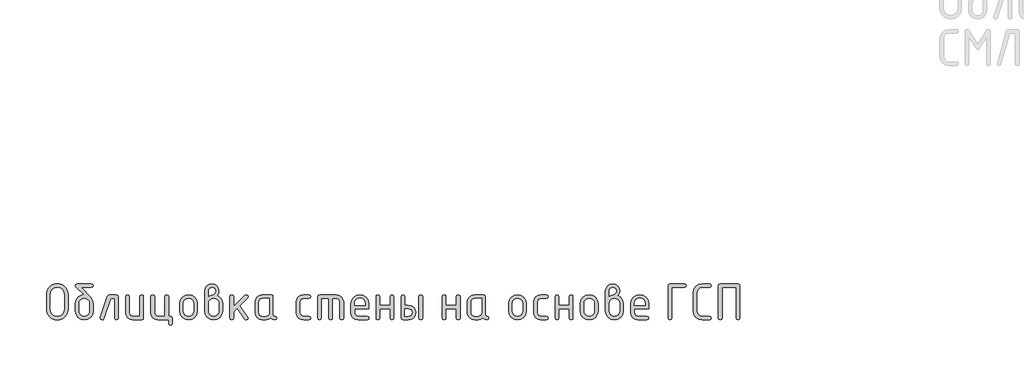
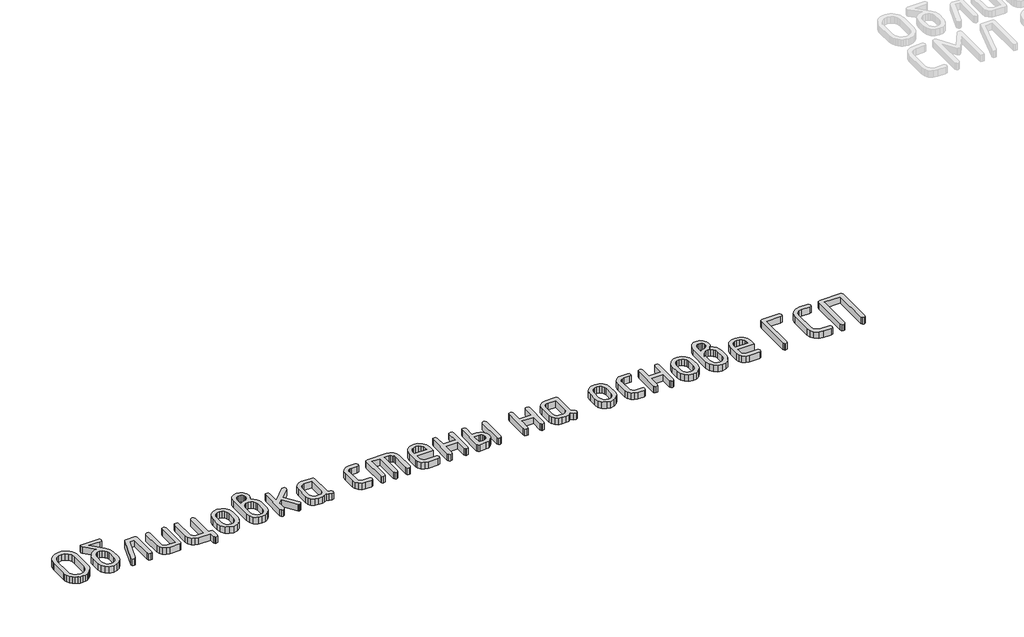
# One storey, part 22 of 33: 1 proxy.
"""IFC4 building model written with IfcOpenShell, lengths in millimetres."""

from ifc_helpers import new_model, si_unit, origin, origin_with_axes, place, context, project, spatial, polyline, outline, extrude, element, save

model = new_model("IFC4")

# Units and contexts
model_context = context("Model", 3, world=origin())
ifc_project = project(units=[si_unit("LENGTHUNIT", "METRE", prefix="MILLI")], contexts=[model_context])

# Site, building, storey
site = spatial("IfcSite", under=ifc_project)
building = spatial("IfcBuilding", under=site)
storey = spatial("IfcBuildingStorey", under=building, Elevation=0.0)

# Proxy
placement = place(None, origin())
element("IfcBuildingElementProxy", 1, Name="Generic Models", at=placement, inside=storey, context=model_context, shape_type="SweptSolid", body=[
    extrude(outline(polyline([(-7061.6905204, 2766.9131141), (-7063.3449162, 2748.6794526), (-7068.3081037, 2731.8278169), (-7076.5800829, 2716.358207), (-7088.1608538, 2702.2706229), (-7102.0819896, 2690.5486231), (-7117.3750633, 2682.1757661), (-7134.0400751, 2677.1520519), (-7152.0770249, 2675.4774805), (-7170.1139747, 2677.1520519), (-7186.7789865, 2682.1757661), (-7202.0720602, 2690.5486231), (-7215.993196, 2702.2706229), (-7227.5739669, 2716.358207), (-7235.8459461, 2731.8278169), (-7240.8091336, 2748.6794526), (-7242.4635294, 2766.9131141), (-7242.4635294, 2888.7734907), (-7240.8091336, 2907.0071522), (-7235.8459461, 2923.8587879), (-7227.5739669, 2939.3283978), (-7215.993196, 2953.4159819), (-7202.0720602, 2965.1379817), (-7186.7789865, 2973.5108387), (-7170.1139747, 2978.5345529), (-7152.0770249, 2980.2091243), (-7133.9417193, 2978.5421188), (-7117.2237466, 2973.5411021), (-7101.923107, 2965.2060742), (-7088.0398005, 2953.5370353), (-7076.5119904, 2939.4872803), (-7068.2778404, 2924.0101046), (-7063.3373504, 2907.1055081), (-7061.6905204, 2888.7734907), (-7061.6905204, 2766.9131141)]), holes=[polyline([(-7092.6801791, 2767.1552208), (-7092.6801791, 2888.531384), (-7096.9876609, 2912.0560859), (-7109.9101065, 2931.6263781), (-7129.0667998, 2944.8211938), (-7152.0770249, 2949.2194656), (-7175.08725, 2944.8211938), (-7194.2439433, 2931.6263781), (-7207.1663889, 2912.0560859), (-7211.4738707, 2888.531384), (-7211.4738707, 2767.1552208), (-7207.1663889, 2743.6305189), (-7194.2439433, 2724.0602266), (-7175.08725, 2710.865411), (-7152.0770249, 2706.4671392), (-7129.0667998, 2710.865411), (-7109.9101065, 2724.0602266), (-7096.9876609, 2743.6305189), (-7092.6801791, 2767.1552208)])]), origin_with_axes(), (0.0, 0.0, 1.0), 50.0),
    extrude(outline(polyline([(-6849.9278526, 2812.348473), (-6849.9278526, 2751.498987), (-6855.4055169, 2722.2746897), (-6871.8385097, 2697.7109465), (-6896.0390928, 2681.035847), (-6924.8195278, 2675.4774805), (-6953.5999628, 2681.0459348), (-6977.8005458, 2697.7512976), (-6994.2335387, 2722.3654797), (-6999.711203, 2751.6603914), (-6999.711203, 2812.5905798), (-6997.1186436, 2834.0220674), (-6989.3409656, 2852.3969578), (-6976.3781689, 2867.715251), (-6958.2302536, 2879.976947), (-6942.5134931, 2886.5743548), (-6927.966915, 2888.7734907), (-6994.5462598, 2955.7563468), (-6999.711203, 2964.714295), (-6995.9787245, 2976.335417), (-6984.7812893, 2980.2091243), (-6864.8577663, 2980.2091243), (-6853.660331, 2976.335417), (-6849.9278526, 2964.714295), (-6853.660331, 2953.093173), (-6864.8577663, 2949.2194656), (-6949.837221, 2949.2194656), (-6874.4613324, 2868.8400384), (-6856.0612225, 2841.5626825), (-6849.9278526, 2812.348473)]), holes=[polyline([(-6880.9175113, 2751.9832004), (-6880.9175113, 2812.5905798), (-6884.135513, 2830.0222628), (-6893.789518, 2844.7100698), (-6907.9830237, 2854.6969715), (-6924.8195278, 2858.0259387), (-6941.6560318, 2854.6969715), (-6955.8495376, 2844.7100698), (-6965.5035426, 2830.0222628), (-6968.7215443, 2812.5905798), (-6968.7215443, 2751.9832004), (-6965.5338059, 2734.3901129), (-6955.9705909, 2719.7023059), (-6941.8073485, 2709.7759308), (-6924.8195278, 2706.4671392), (-6907.9830237, 2709.7961064), (-6893.789518, 2719.7830081), (-6884.135513, 2734.4909907), (-6880.9175113, 2751.9832004)])]), origin_with_axes(), (0.0, 0.0, 1.0), 50.0),
    extrude(outline(polyline([(-6714.5902025, 2887.2401482), (-6653.6600142, 2887.2401482), (-6642.0388921, 2883.4673187), (-6638.1651848, 2872.1488301), (-6638.1651848, 2690.5687986), (-6642.0388921, 2679.25031), (-6653.6600142, 2675.4774805), (-6665.2811362, 2679.25031), (-6669.1548435, 2690.5687986), (-6669.1548435, 2856.2504895), (-6703.7761028, 2856.2504895), (-6760.9132861, 2685.7266645), (-6766.2194581, 2678.0397765), (-6775.1975819, 2675.4774805), (-6786.5765972, 2679.3108367), (-6790.3696023, 2690.8109053), (-6789.6432821, 2695.4109328), (-6729.7622229, 2874.8927061), (-6723.8709596, 2884.1532877), (-6714.5902025, 2887.2401482)])), origin_with_axes(), (0.0, 0.0, 1.0), 50.0),
    extrude(outline(polyline([(-6426.402517, 2872.1488301), (-6426.402517, 2690.5687986), (-6430.155171, 2679.25031), (-6441.413133, 2675.4774805), (-6516.3048082, 2675.4774805), (-6539.5268766, 2679.8555768), (-6558.8348866, 2692.9898657), (-6571.8481222, 2712.4996313), (-6576.1858674, 2736.0041576), (-6576.1858674, 2872.1488301), (-6572.3121601, 2883.4673187), (-6560.6910381, 2887.2401482), (-6549.069916, 2883.4673187), (-6545.1962087, 2872.1488301), (-6545.1962087, 2736.5690733), (-6543.0374239, 2725.1396191), (-6536.5610694, 2715.3847363), (-6527.0785567, 2708.6965384), (-6515.901297, 2706.4671392), (-6457.3921757, 2706.4671392), (-6457.3921757, 2872.1488301), (-6453.5184684, 2883.4673187), (-6441.8973464, 2887.2401482), (-6430.2762244, 2883.4673187), (-6426.402517, 2872.1488301)])), origin_with_axes(), (0.0, 0.0, 1.0), 50.0),
    extrude(outline(polyline([(-6199.1450199, 2706.4671392), (-6187.5238979, 2702.5934318), (-6183.6501906, 2690.9723098), (-6183.6501906, 2644.4878218), (-6187.5238979, 2632.8666997), (-6199.1450199, 2628.9929924), (-6210.7661419, 2632.8666997), (-6214.6398493, 2644.4878218), (-6214.6398493, 2675.4774805), (-6304.5421404, 2675.4774805), (-6327.7642088, 2679.8858401), (-6347.0722189, 2693.1109191), (-6360.0854544, 2712.650948), (-6364.4231996, 2736.0041576), (-6364.4231996, 2872.1488301), (-6360.5494923, 2883.4673187), (-6348.9283703, 2887.2401482), (-6337.3072483, 2883.4673187), (-6333.4335409, 2872.1488301), (-6333.4335409, 2736.5690733), (-6331.2747561, 2725.1396191), (-6324.7984017, 2715.3847363), (-6315.3158889, 2708.6965384), (-6304.1386292, 2706.4671392), (-6245.629508, 2706.4671392), (-6245.629508, 2872.1488301), (-6241.7558006, 2883.4673187), (-6230.1346786, 2887.2401482), (-6218.5135566, 2883.4673187), (-6214.6398493, 2872.1488301), (-6214.6398493, 2706.4671392), (-6199.1450199, 2706.4671392)])), origin_with_axes(), (0.0, 0.0, 1.0), 50.0),
    extrude(outline(polyline([(-6121.6708732, 2751.0954758), (-6121.6708732, 2811.6221529), (-6116.1932089, 2840.6951335), (-6099.760216, 2865.1277355), (-6075.559633, 2881.7120451), (-6046.779198, 2887.2401482), (-6017.6961296, 2881.7725717), (-5993.5560732, 2865.3698422), (-5977.3046604, 2840.9977669), (-5971.8875228, 2811.6221529), (-5971.8875228, 2751.0954758), (-5977.3651871, 2722.0224952), (-5993.7981799, 2697.5898932), (-6017.998763, 2681.0055836), (-6046.779198, 2675.4774805), (-6075.559633, 2681.0055836), (-6099.760216, 2697.5898932), (-6116.1932089, 2722.0224952), (-6121.6708732, 2751.0954758)]), holes=[polyline([(-6002.8771815, 2751.9832004), (-6002.8771815, 2812.5905798), (-6006.0951831, 2830.0222628), (-6015.7491882, 2844.7100698), (-6029.9426939, 2854.6969715), (-6046.779198, 2858.0259387), (-6063.615702, 2854.6969715), (-6077.8092078, 2844.7100698), (-6087.4632128, 2830.0222628), (-6090.6812145, 2812.5905798), (-6090.6812145, 2751.9832004), (-6087.4934761, 2734.3901129), (-6077.9302611, 2719.7023059), (-6063.7670187, 2709.7759308), (-6046.779198, 2706.4671392), (-6029.9426939, 2709.7961064), (-6015.7491882, 2719.7830081), (-6006.0951831, 2734.4909907), (-6002.8771815, 2751.9832004)])]), origin_with_axes(), (0.0, 0.0, 1.0), 50.0),
    extrude(outline(polyline([(-5805.0760006, 2882.5594185), (-5786.5447496, 2871.1703155), (-5772.2705415, 2854.5960937), (-5763.1612766, 2834.5113247), (-5760.124855, 2812.5905798), (-5760.124855, 2751.6603914), (-5765.6025193, 2722.214163), (-5782.0355121, 2697.6302443), (-5806.2360952, 2681.0156714), (-5835.0165302, 2675.4774805), (-5863.9482819, 2681.0459348), (-5888.1186016, 2697.7512976), (-5904.4608044, 2722.3654797), (-5909.9082054, 2751.6603914), (-5909.9082054, 2919.278936), (-5905.580548, 2942.8843401), (-5892.5975757, 2962.5353346), (-5873.4207068, 2975.7906769), (-5850.5113595, 2980.2091243), (-5827.5011344, 2975.7604136), (-5808.3444411, 2962.4142812), (-5795.4219956, 2942.7330234), (-5791.1145137, 2919.278936), (-5794.6048854, 2898.5586369), (-5805.0760006, 2882.5594185)]), holes=[polyline([(-5791.1145137, 2751.9832004), (-5791.1145137, 2812.5905798), (-5794.302252, 2830.0222628), (-5803.865467, 2844.7100698), (-5818.0287095, 2854.6969715), (-5835.0165302, 2858.0259387), (-5852.0043509, 2854.6969715), (-5866.1675934, 2844.7100698), (-5875.7308084, 2830.0222628), (-5878.9185467, 2812.5905798), (-5878.9185467, 2751.9832004), (-5875.7308084, 2734.3901129), (-5866.1675934, 2719.7023059), (-5852.0043509, 2709.7759308), (-5835.0165302, 2706.4671392), (-5818.0287095, 2709.7961064), (-5803.865467, 2719.7830081), (-5794.302252, 2734.4909907), (-5791.1145137, 2751.9832004)]), polyline([(-5878.9185467, 2872.471639), (-5860.4377346, 2883.7901276), (-5843.5709672, 2887.5629572), (-5834.4919657, 2890.2059554), (-5826.1392842, 2898.1349501), (-5820.2681965, 2908.0007985), (-5818.3111673, 2917.906998), (-5820.4901277, 2929.7097), (-5827.0270088, 2939.4544951), (-5836.7919794, 2945.9913762), (-5848.6552081, 2948.1703366), (-5860.3065935, 2945.9611128), (-5870.0816518, 2939.3334417), (-5876.709323, 2929.5583833), (-5878.9185467, 2917.906998), (-5878.9185467, 2872.471639)])]), origin_with_axes(), (0.0, 0.0, 1.0), 50.0),
    extrude(outline(polyline([(-5667.1558789, 2787.8149932), (-5571.9272402, 2882.8822275), (-5561.1131405, 2887.2401482), (-5549.7341252, 2883.4673187), (-5545.9411201, 2872.1488301), (-5550.5411476, 2861.5768371), (-5617.1204925, 2795.0781945), (-5548.9271029, 2699.2846401), (-5545.9411201, 2690.4073942), (-5549.7341252, 2679.2099589), (-5561.1131405, 2675.4774805), (-5568.2552884, 2677.0915252), (-5573.7026894, 2681.9336594), (-5638.9100962, 2773.5306974), (-5667.1558789, 2745.2849148), (-5667.1558789, 2690.6495009), (-5671.0295862, 2679.2704856), (-5682.6507083, 2675.4774805), (-5694.2718303, 2679.25031), (-5698.1455376, 2690.5687986), (-5698.1455376, 2872.1488301), (-5694.2718303, 2883.4673187), (-5682.6507083, 2887.2401482), (-5671.0295862, 2883.4673187), (-5667.1558789, 2872.1488301), (-5667.1558789, 2787.8149932)])), origin_with_axes(), (0.0, 0.0, 1.0), 50.0),
    extrude(outline(polyline([(-5306.3361809, 2690.5687986), (-5310.1090104, 2679.25031), (-5321.427499, 2675.4774805), (-5340.5741046, 2679.4924167), (-5355.8873539, 2691.5372255), (-5374.3076393, 2679.4924167), (-5396.4805787, 2675.4774805), (-5426.5018106, 2675.4774805), (-5449.723879, 2679.8555768), (-5469.031889, 2692.9898657), (-5482.0451246, 2712.4996313), (-5486.3828698, 2736.0041576), (-5486.3828698, 2826.7134711), (-5482.0451246, 2850.2179974), (-5469.031889, 2869.727763), (-5449.723879, 2882.8620519), (-5426.5018106, 2887.2401482), (-5351.6101354, 2887.2401482), (-5340.3521734, 2883.4673187), (-5336.5995194, 2872.1488301), (-5336.5995194, 2720.8321372), (-5332.8166021, 2709.5136486), (-5321.4678502, 2705.740819), (-5310.1190982, 2701.9478139), (-5306.3361809, 2690.5687986)]), holes=[polyline([(-5367.5891781, 2856.2504895), (-5426.0982994, 2856.2504895), (-5437.3764369, 2854.0614414), (-5446.8387741, 2847.4942969), (-5453.2546019, 2837.8201163), (-5455.3932111, 2826.3099599), (-5455.3932111, 2736.4076688), (-5453.2344263, 2724.9983901), (-5446.7580719, 2715.304034), (-5437.2755591, 2708.6763629), (-5426.0982994, 2706.4671392), (-5396.8840899, 2706.4671392), (-5385.6059524, 2708.6561873), (-5376.1436152, 2715.2233318), (-5369.7277874, 2724.8975123), (-5367.5891781, 2736.4076688), (-5367.5891781, 2856.2504895)])]), origin_with_axes(), (0.0, 0.0, 1.0), 50.0),
    extrude(outline(polyline([(-5109.3420223, 2826.3099599), (-5109.3420223, 2736.4076688), (-5107.1025353, 2724.9983901), (-5100.3840741, 2715.304034), (-5090.5787524, 2708.6763629), (-5079.0786837, 2706.4671392), (-5033.5626225, 2706.4671392), (-5022.2441339, 2702.5934318), (-5018.4713044, 2690.9723098), (-5022.2441339, 2679.3511878), (-5033.5626225, 2675.4774805), (-5079.0786837, 2675.4774805), (-5102.6235612, 2679.8555768), (-5122.4157846, 2692.9898657), (-5135.8527069, 2712.4996313), (-5140.331681, 2736.0041576), (-5140.331681, 2826.7134711), (-5135.8527069, 2850.2179974), (-5122.4157846, 2869.727763), (-5102.6235612, 2882.8620519), (-5079.0786837, 2887.2401482), (-5033.5626225, 2887.2401482), (-5022.2441339, 2883.3664409), (-5018.4713044, 2871.7453189), (-5022.2441339, 2860.1241969), (-5033.5626225, 2856.2504895), (-5079.0786837, 2856.2504895), (-5090.7300691, 2854.0614414), (-5100.5051275, 2847.4942969), (-5107.1327986, 2837.8201163), (-5109.3420223, 2826.3099599)])), origin_with_axes(), (0.0, 0.0, 1.0), 50.0),
    extrude(outline(polyline([(-4944.0638426, 2887.2401482), (-4804.6103784, 2887.2401482), (-4780.7225165, 2882.8317886), (-4760.708362, 2869.6067096), (-4747.1503863, 2850.0666807), (-4742.6310611, 2826.7134711), (-4742.6310611, 2690.5687986), (-4746.5047684, 2679.25031), (-4758.1258904, 2675.4774805), (-4769.7470124, 2679.25031), (-4773.6207198, 2690.5687986), (-4773.6207198, 2826.1485554), (-4775.850119, 2837.880643), (-4782.5383168, 2847.5749991), (-4792.5151308, 2854.0816169), (-4804.6103784, 2856.2504895), (-4835.6000371, 2856.2504895), (-4835.6000371, 2690.5687986), (-4839.4737445, 2679.25031), (-4851.0948665, 2675.4774805), (-4862.7159885, 2679.25031), (-4866.5896958, 2690.5687986), (-4866.5896958, 2856.2504895), (-4928.5690132, 2856.2504895), (-4928.5690132, 2690.5687986), (-4932.4427206, 2679.25031), (-4944.0638426, 2675.4774805), (-4955.6849646, 2679.25031), (-4959.5586719, 2690.5687986), (-4959.5586719, 2872.1488301), (-4955.6849646, 2883.4673187), (-4944.0638426, 2887.2401482)])), origin_with_axes(), (0.0, 0.0, 1.0), 50.0),
    extrude(outline(polyline([(-4649.662085, 2768.4464566), (-4649.662085, 2737.4567979), (-4647.4225979, 2725.6641836), (-4640.7041367, 2715.626843), (-4630.898815, 2708.7570651), (-4619.3987464, 2706.4671392), (-4543.6193466, 2706.4671392), (-4532.2403313, 2702.5934318), (-4528.4473262, 2690.9723098), (-4532.2403313, 2679.3511878), (-4543.6193466, 2675.4774805), (-4619.3987464, 2675.4774805), (-4642.9436238, 2679.8555768), (-4662.7358472, 2692.9898657), (-4676.1727695, 2712.4996313), (-4680.6517437, 2736.0041576), (-4680.6517437, 2811.6221529), (-4675.0328505, 2840.6951335), (-4658.1761709, 2865.1277355), (-4633.4510233, 2881.7120451), (-4604.226726, 2887.2401482), (-4574.7804975, 2881.8734495), (-4550.3579833, 2865.7733534), (-4533.9249905, 2841.8451404), (-4528.4473262, 2812.9940909), (-4528.4473262, 2768.4464566), (-4649.662085, 2768.4464566)]), holes=[polyline([(-4604.226726, 2860.0434946), (-4621.658409, 2856.7145274), (-4636.346216, 2846.7276257), (-4646.3331177, 2832.0398187), (-4649.662085, 2814.6081357), (-4649.662085, 2799.4361153), (-4558.791367, 2799.4361153), (-4558.791367, 2814.6081357), (-4562.1203342, 2832.0398187), (-4572.107236, 2846.7276257), (-4586.795043, 2856.7145274), (-4604.226726, 2860.0434946)])]), origin_with_axes(), (0.0, 0.0, 1.0), 50.0),
    extrude(outline(polyline([(-4437.8994172, 2768.4464566), (-4437.8994172, 2690.9723098), (-4441.7731245, 2679.3511878), (-4453.3942465, 2675.4774805), (-4465.0153685, 2679.25031), (-4468.8890759, 2690.5687986), (-4468.8890759, 2872.1488301), (-4465.0153685, 2883.4673187), (-4453.3942465, 2887.2401482), (-4441.7731245, 2883.588372), (-4437.8994172, 2872.6330435), (-4437.8994172, 2799.4361153), (-4350.0953842, 2799.4361153), (-4350.0953842, 2872.6330435), (-4346.2216769, 2883.588372), (-4334.6005548, 2887.2401482), (-4322.9794328, 2883.4673187), (-4319.1057255, 2872.1488301), (-4319.1057255, 2690.5687986), (-4322.9794328, 2679.25031), (-4334.6005548, 2675.4774805), (-4346.2216769, 2679.3511878), (-4350.0953842, 2690.9723098), (-4350.0953842, 2768.4464566), (-4437.8994172, 2768.4464566)])), origin_with_axes(), (0.0, 0.0, 1.0), 50.0),
    extrude(outline(polyline([(-4107.3430577, 2872.1488301), (-4103.4693504, 2883.4673187), (-4091.8482284, 2887.2401482), (-4080.2271064, 2883.4673187), (-4076.353399, 2872.1488301), (-4076.353399, 2690.5687986), (-4080.2271064, 2679.25031), (-4091.8482284, 2675.4774805), (-4103.4693504, 2679.25031), (-4107.3430577, 2690.5687986), (-4107.3430577, 2872.1488301)])), origin_with_axes(), (0.0, 0.0, 1.0), 50.0),
    extrude(outline(polyline([(-4135.2660314, 2737.4567979), (-4139.6542155, 2713.4176192), (-4152.8187678, 2693.433728), (-4172.3587968, 2679.9665423), (-4195.8734108, 2675.4774805), (-4241.6315788, 2675.4774805), (-4253.2527008, 2679.25031), (-4257.1264081, 2690.5687986), (-4257.1264081, 2872.1488301), (-4253.2527008, 2883.4673187), (-4241.6315788, 2887.2401482), (-4230.0104567, 2883.588372), (-4226.1367494, 2872.6330435), (-4226.1367494, 2799.4361153), (-4195.8734108, 2799.4361153), (-4172.3587968, 2794.9470534), (-4152.8187678, 2781.4798677), (-4139.6542155, 2761.4959765), (-4135.2660314, 2737.4567979)]), holes=[polyline([(-4165.52937, 2737.4567979), (-4167.7083304, 2749.5520455), (-4174.2452115, 2759.5288595), (-4184.0101821, 2766.2170573), (-4195.8734108, 2768.4464566), (-4226.1367494, 2768.4464566), (-4226.1367494, 2706.4671392), (-4195.8734108, 2706.4671392), (-4184.1614988, 2708.7268018), (-4174.3662649, 2715.5057896), (-4167.7385937, 2725.5128669), (-4165.52937, 2737.4567979)])]), origin_with_axes(), (0.0, 0.0, 1.0), 50.0),
    extrude(outline(polyline([(-3880.0855606, 2768.4464566), (-3880.0855606, 2690.9723098), (-3883.9592679, 2679.3511878), (-3895.5803899, 2675.4774805), (-3907.201512, 2679.25031), (-3911.0752193, 2690.5687986), (-3911.0752193, 2872.1488301), (-3907.201512, 2883.4673187), (-3895.5803899, 2887.2401482), (-3883.9592679, 2883.588372), (-3880.0855606, 2872.6330435), (-3880.0855606, 2799.4361153), (-3792.2815276, 2799.4361153), (-3792.2815276, 2872.6330435), (-3788.4078203, 2883.588372), (-3776.7866983, 2887.2401482), (-3765.1655763, 2883.4673187), (-3761.2918689, 2872.1488301), (-3761.2918689, 2690.5687986), (-3765.1655763, 2679.25031), (-3776.7866983, 2675.4774805), (-3788.4078203, 2679.3511878), (-3792.2815276, 2690.9723098), (-3792.2815276, 2768.4464566), (-3880.0855606, 2768.4464566)])), origin_with_axes(), (0.0, 0.0, 1.0), 50.0),
    extrude(outline(polyline([(-3519.2658626, 2690.5687986), (-3523.0386921, 2679.25031), (-3534.3571807, 2675.4774805), (-3553.5037863, 2679.4924167), (-3568.8170356, 2691.5372255), (-3587.237321, 2679.4924167), (-3609.4102604, 2675.4774805), (-3639.4314923, 2675.4774805), (-3662.6535607, 2679.8555768), (-3681.9615707, 2692.9898657), (-3694.9748063, 2712.4996313), (-3699.3125515, 2736.0041576), (-3699.3125515, 2826.7134711), (-3694.9748063, 2850.2179974), (-3681.9615707, 2869.727763), (-3662.6535607, 2882.8620519), (-3639.4314923, 2887.2401482), (-3564.5398171, 2887.2401482), (-3553.2818551, 2883.4673187), (-3549.5292011, 2872.1488301), (-3549.5292011, 2720.8321372), (-3545.7462838, 2709.5136486), (-3534.3975319, 2705.740819), (-3523.0487799, 2701.9478139), (-3519.2658626, 2690.5687986)]), holes=[polyline([(-3580.5188598, 2856.2504895), (-3639.0279811, 2856.2504895), (-3650.3061186, 2854.0614414), (-3659.7684558, 2847.4942969), (-3666.1842836, 2837.8201163), (-3668.3228928, 2826.3099599), (-3668.3228928, 2736.4076688), (-3666.164108, 2724.9983901), (-3659.6877535, 2715.304034), (-3650.2052408, 2708.6763629), (-3639.0279811, 2706.4671392), (-3609.8137716, 2706.4671392), (-3598.5356341, 2708.6561873), (-3589.0732969, 2715.2233318), (-3582.6574691, 2724.8975123), (-3580.5188598, 2736.4076688), (-3580.5188598, 2856.2504895)])]), origin_with_axes(), (0.0, 0.0, 1.0), 50.0),
    extrude(outline(polyline([(-3353.2613627, 2751.0954758), (-3353.2613627, 2811.6221529), (-3347.7836984, 2840.6951335), (-3331.3507056, 2865.1277355), (-3307.1501225, 2881.7120451), (-3278.3696875, 2887.2401482), (-3249.2866192, 2881.7725717), (-3225.1465628, 2865.3698422), (-3208.8951499, 2840.9977669), (-3203.4780123, 2811.6221529), (-3203.4780123, 2751.0954758), (-3208.9556766, 2722.0224952), (-3225.3886695, 2697.5898932), (-3249.5892525, 2681.0055836), (-3278.3696875, 2675.4774805), (-3307.1501225, 2681.0055836), (-3331.3507056, 2697.5898932), (-3347.7836984, 2722.0224952), (-3353.2613627, 2751.0954758)]), holes=[polyline([(-3234.467671, 2751.9832004), (-3234.467671, 2812.5905798), (-3237.6856727, 2830.0222628), (-3247.3396777, 2844.7100698), (-3261.5331835, 2854.6969715), (-3278.3696875, 2858.0259387), (-3295.2061915, 2854.6969715), (-3309.3996973, 2844.7100698), (-3319.0537023, 2830.0222628), (-3322.271704, 2812.5905798), (-3322.271704, 2751.9832004), (-3319.0839657, 2734.3901129), (-3309.5207507, 2719.7023059), (-3295.3575082, 2709.7759308), (-3278.3696875, 2706.4671392), (-3261.5331835, 2709.7961064), (-3247.3396777, 2719.7830081), (-3237.6856727, 2734.4909907), (-3234.467671, 2751.9832004)])]), origin_with_axes(), (0.0, 0.0, 1.0), 50.0),
    extrude(outline(polyline([(-3110.5090362, 2826.3099599), (-3110.5090362, 2736.4076688), (-3108.2695492, 2724.9983901), (-3101.551088, 2715.304034), (-3091.7457663, 2708.6763629), (-3080.2456977, 2706.4671392), (-3034.7296364, 2706.4671392), (-3023.4111478, 2702.5934318), (-3019.6383183, 2690.9723098), (-3023.4111478, 2679.3511878), (-3034.7296364, 2675.4774805), (-3080.2456977, 2675.4774805), (-3103.7905751, 2679.8555768), (-3123.5827985, 2692.9898657), (-3137.0197208, 2712.4996313), (-3141.4986949, 2736.0041576), (-3141.4986949, 2826.7134711), (-3137.0197208, 2850.2179974), (-3123.5827985, 2869.727763), (-3103.7905751, 2882.8620519), (-3080.2456977, 2887.2401482), (-3034.7296364, 2887.2401482), (-3023.4111478, 2883.3664409), (-3019.6383183, 2871.7453189), (-3023.4111478, 2860.1241969), (-3034.7296364, 2856.2504895), (-3080.2456977, 2856.2504895), (-3091.897083, 2854.0614414), (-3101.6721414, 2847.4942969), (-3108.2998125, 2837.8201163), (-3110.5090362, 2826.3099599)])), origin_with_axes(), (0.0, 0.0, 1.0), 50.0),
    extrude(outline(polyline([(-2929.7360272, 2768.4464566), (-2929.7360272, 2690.9723098), (-2933.6097345, 2679.3511878), (-2945.2308565, 2675.4774805), (-2956.8519785, 2679.25031), (-2960.7256859, 2690.5687986), (-2960.7256859, 2872.1488301), (-2956.8519785, 2883.4673187), (-2945.2308565, 2887.2401482), (-2933.6097345, 2883.588372), (-2929.7360272, 2872.6330435), (-2929.7360272, 2799.4361153), (-2841.9319942, 2799.4361153), (-2841.9319942, 2872.6330435), (-2838.0582868, 2883.588372), (-2826.4371648, 2887.2401482), (-2814.8160428, 2883.4673187), (-2810.9423355, 2872.1488301), (-2810.9423355, 2690.5687986), (-2814.8160428, 2679.25031), (-2826.4371648, 2675.4774805), (-2838.0582868, 2679.3511878), (-2841.9319942, 2690.9723098), (-2841.9319942, 2768.4464566), (-2929.7360272, 2768.4464566)])), origin_with_axes(), (0.0, 0.0, 1.0), 50.0),
    extrude(outline(polyline([(-2748.9630181, 2751.0954758), (-2748.9630181, 2811.6221529), (-2743.4853538, 2840.6951335), (-2727.052361, 2865.1277355), (-2702.8517779, 2881.7120451), (-2674.0713429, 2887.2401482), (-2644.9882745, 2881.7725717), (-2620.8482181, 2865.3698422), (-2604.5968053, 2840.9977669), (-2599.1796677, 2811.6221529), (-2599.1796677, 2751.0954758), (-2604.657332, 2722.0224952), (-2621.0903248, 2697.5898932), (-2645.2909079, 2681.0055836), (-2674.0713429, 2675.4774805), (-2702.8517779, 2681.0055836), (-2727.052361, 2697.5898932), (-2743.4853538, 2722.0224952), (-2748.9630181, 2751.0954758)]), holes=[polyline([(-2630.1693264, 2751.9832004), (-2630.1693264, 2812.5905798), (-2633.3873281, 2830.0222628), (-2643.0413331, 2844.7100698), (-2657.2348389, 2854.6969715), (-2674.0713429, 2858.0259387), (-2690.9078469, 2854.6969715), (-2705.1013527, 2844.7100698), (-2714.7553577, 2830.0222628), (-2717.9733594, 2812.5905798), (-2717.9733594, 2751.9832004), (-2714.7856211, 2734.3901129), (-2705.2224061, 2719.7023059), (-2691.0591636, 2709.7759308), (-2674.0713429, 2706.4671392), (-2657.2348389, 2709.7961064), (-2643.0413331, 2719.7830081), (-2633.3873281, 2734.4909907), (-2630.1693264, 2751.9832004)])]), origin_with_axes(), (0.0, 0.0, 1.0), 50.0),
    extrude(outline(polyline([(-2432.3681455, 2882.5594185), (-2413.8368945, 2871.1703155), (-2399.5626865, 2854.5960937), (-2390.4534216, 2834.5113247), (-2387.4169999, 2812.5905798), (-2387.4169999, 2751.6603914), (-2392.8946642, 2722.214163), (-2409.3276571, 2697.6302443), (-2433.5282401, 2681.0156714), (-2462.3086751, 2675.4774805), (-2491.2404268, 2681.0459348), (-2515.4107465, 2697.7512976), (-2531.7529494, 2722.3654797), (-2537.2003503, 2751.6603914), (-2537.2003503, 2919.278936), (-2532.8726929, 2942.8843401), (-2519.8897206, 2962.5353346), (-2500.7128518, 2975.7906769), (-2477.8035045, 2980.2091243), (-2454.7932794, 2975.7604136), (-2435.6365861, 2962.4142812), (-2422.7141405, 2942.7330234), (-2418.4066586, 2919.278936), (-2421.8970303, 2898.5586369), (-2432.3681455, 2882.5594185)]), holes=[polyline([(-2506.2106916, 2872.471639), (-2487.7298795, 2883.7901276), (-2470.8631122, 2887.5629572), (-2461.7841106, 2890.2059554), (-2453.4314291, 2898.1349501), (-2447.5603415, 2908.0007985), (-2445.6033122, 2917.906998), (-2447.7822726, 2929.7097), (-2454.3191537, 2939.4544951), (-2464.0841243, 2945.9913762), (-2475.947353, 2948.1703366), (-2487.5987384, 2945.9611128), (-2497.3737967, 2939.3334417), (-2504.0014679, 2929.5583833), (-2506.2106916, 2917.906998), (-2506.2106916, 2872.471639)]), polyline([(-2418.4066586, 2751.9832004), (-2418.4066586, 2812.5905798), (-2421.594397, 2830.0222628), (-2431.1576119, 2844.7100698), (-2445.3208544, 2854.6969715), (-2462.3086751, 2858.0259387), (-2479.2964958, 2854.6969715), (-2493.4597383, 2844.7100698), (-2503.0229533, 2830.0222628), (-2506.2106916, 2812.5905798), (-2506.2106916, 2751.9832004), (-2503.0229533, 2734.3901129), (-2493.4597383, 2719.7023059), (-2479.2964958, 2709.7759308), (-2462.3086751, 2706.4671392), (-2445.3208544, 2709.7961064), (-2431.1576119, 2719.7830081), (-2421.594397, 2734.4909907), (-2418.4066586, 2751.9832004)])]), origin_with_axes(), (0.0, 0.0, 1.0), 50.0),
    extrude(outline(polyline([(-2294.4480238, 2768.4464566), (-2294.4480238, 2737.4567979), (-2292.2085368, 2725.6641836), (-2285.4900756, 2715.626843), (-2275.6847539, 2708.7570651), (-2264.1846853, 2706.4671392), (-2188.4052855, 2706.4671392), (-2177.0262702, 2702.5934318), (-2173.2332651, 2690.9723098), (-2177.0262702, 2679.3511878), (-2188.4052855, 2675.4774805), (-2264.1846853, 2675.4774805), (-2287.7295627, 2679.8555768), (-2307.5217861, 2692.9898657), (-2320.9587084, 2712.4996313), (-2325.4376825, 2736.0041576), (-2325.4376825, 2811.6221529), (-2319.8187893, 2840.6951335), (-2302.9621097, 2865.1277355), (-2278.2369621, 2881.7120451), (-2249.0126649, 2887.2401482), (-2219.5664364, 2881.8734495), (-2195.1439222, 2865.7733534), (-2178.7109293, 2841.8451404), (-2173.2332651, 2812.9940909), (-2173.2332651, 2768.4464566), (-2294.4480238, 2768.4464566)]), holes=[polyline([(-2249.0126649, 2860.0434946), (-2266.4443479, 2856.7145274), (-2281.1321549, 2846.7276257), (-2291.1190566, 2832.0398187), (-2294.4480238, 2814.6081357), (-2294.4480238, 2799.4361153), (-2203.5773059, 2799.4361153), (-2203.5773059, 2814.6081357), (-2206.9062731, 2832.0398187), (-2216.8931748, 2846.7276257), (-2231.5809818, 2856.7145274), (-2249.0126649, 2860.0434946)])]), origin_with_axes(), (0.0, 0.0, 1.0), 50.0),
    extrude(outline(polyline([(-1979.3864937, 2949.2194656), (-1979.3864937, 2690.6495009), (-1983.2602011, 2679.2704856), (-1994.8813231, 2675.4774805), (-2006.5024451, 2679.2906611), (-2010.3761524, 2690.7302031), (-2010.3761524, 2964.9564017), (-2006.5024451, 2976.3959437), (-1994.8813231, 2980.2091243), (-1873.3437554, 2980.2091243), (-1861.9647401, 2976.335417), (-1858.171735, 2964.714295), (-1861.9647401, 2953.093173), (-1873.3437554, 2949.2194656), (-1979.3864937, 2949.2194656)])), origin_with_axes(), (0.0, 0.0, 1.0), 50.0),
    extrude(outline(polyline([(-1661.5810876, 2980.2091243), (-1650.2020723, 2976.335417), (-1646.4090672, 2964.714295), (-1650.2020723, 2953.093173), (-1661.5810876, 2949.2194656), (-1722.188467, 2949.2194656), (-1745.0675509, 2943.5904847), (-1761.4097538, 2926.7035417), (-1766.0703079, 2915.6675109), (-1767.6238259, 2903.7034044), (-1767.6238259, 2751.9832004), (-1764.2948587, 2734.4909907), (-1754.307957, 2719.7830081), (-1739.62015, 2709.7961064), (-1722.188467, 2706.4671392), (-1661.5810876, 2706.4671392), (-1650.2020723, 2702.5934318), (-1646.4090672, 2690.9723098), (-1650.2020723, 2679.3511878), (-1661.5810876, 2675.4774805), (-1722.188467, 2675.4774805), (-1751.4127643, 2681.0459348), (-1776.1379119, 2697.7512976), (-1792.9945915, 2722.3654797), (-1798.6134846, 2751.6603914), (-1798.6134846, 2904.0262134), (-1792.9945915, 2933.3211251), (-1776.1379119, 2957.9353071), (-1751.4127643, 2974.64067), (-1722.188467, 2980.2091243), (-1661.5810876, 2980.2091243)])), origin_with_axes(), (0.0, 0.0, 1.0), 50.0),
    extrude(outline(polyline([(-1571.7594987, 2980.2091243), (-1421.169126, 2980.2091243), (-1409.8506373, 2976.3959437), (-1406.0778078, 2964.9564017), (-1406.0778078, 2690.7302031), (-1409.9515151, 2679.2906611), (-1421.5726371, 2675.4774805), (-1433.1937592, 2679.2704856), (-1437.0674665, 2690.6495009), (-1437.0674665, 2949.2194656), (-1555.8611582, 2949.2194656), (-1555.8611582, 2690.6495009), (-1559.7348655, 2679.2704856), (-1571.3559875, 2675.4774805), (-1582.9771095, 2679.2906611), (-1586.8508169, 2690.7302031), (-1586.8508169, 2964.9564017), (-1583.0779873, 2976.3959437), (-1571.7594987, 2980.2091243)])), origin_with_axes(), (0.0, 0.0, 1.0), 50.0),
])

save(model, "model.ifc")
